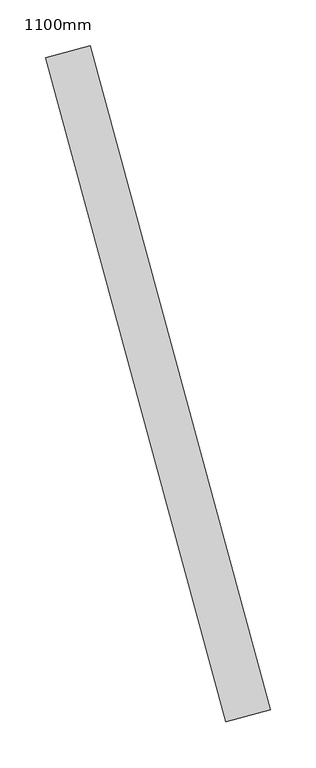
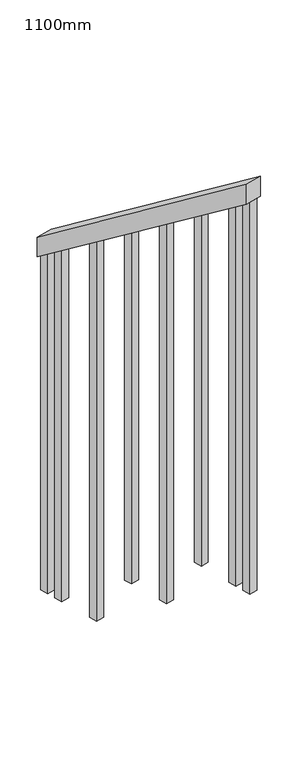
"""IFC4 building model written with IfcOpenShell, lengths in millimetres: railing geometry, 1100mm."""

from ifc_helpers import new_model, si_unit, frame, origin, place, context, project, spatial, polyline, outline, extrude, source, transform, mapped, element, save


def railing_1100mm_70108027(model_context):
    return source(origin(), model_context, "Body", "SweptSolid", [
        extrude(outline(polyline([(35.5555555, -50.0), (0.0, 0.0), (920.2958461, 0.0), (955.8514016, -50.0), (35.5555555, -50.0)])), frame((125689.2263853, 23125.5182498, 1216.4247214), z_axis=(0.9649894123601861, 0.2622888370341805, 0.0), x_axis=(0.21375368431593933, -0.7864232597553618, 0.5795237863600706)), (0.0, 0.0, 1.0), 50.0),
        extrude(outline(polyline([(108.8888889, 0.0), (1271.980277, 0.0), (1271.980277, -25.0), (91.1111112, -25.0), (108.8888889, 0.0)])), frame((125878.333718, 22477.4290069, 1805.3136103), z_axis=(0.9649894123601861, 0.26228883703418043, 0.0), x_axis=(0.0, 0.0, -1.0)), (0.0, 0.0, 1.0), 25.0),
        extrude(outline(polyline([(108.8888889, 0.0), (1183.0913881, 0.0), (1183.0913881, -25.0), (91.1111111, -25.0), (108.8888889, 0.0)])), frame((125845.5476134, 22598.0526835, 1716.4247214), z_axis=(0.9649894123601861, 0.26228883703418043, 0.0), x_axis=(0.0, 0.0, -1.0)), (0.0, 0.0, 1.0), 25.0),
        extrude(outline(polyline([(108.8888889, 0.0), (1271.9802769, 0.0), (1271.9802769, -25.0), (91.1111111, -25.0), (108.8888889, 0.0)])), frame((125812.7615087, 22718.67636, 1627.5358325), z_axis=(0.9649894123601861, 0.26228883703418043, 0.0), x_axis=(0.0, 0.0, -1.0)), (0.0, 0.0, 1.0), 25.0),
        extrude(outline(polyline([(108.8888889, 0.0), (1183.091388, 0.0), (1183.091388, -25.0), (91.1111111, -25.0), (108.8888889, 0.0)])), frame((125779.9754041, 22839.3000366, 1538.6469436), z_axis=(0.9649894123601861, 0.26228883703418043, 0.0), x_axis=(0.0, 0.0, -1.0)), (0.0, 0.0, 1.0), 25.0),
        extrude(outline(polyline([(108.8888889, 0.0), (1271.9802769, 0.0), (1271.9802769, -25.0), (91.1111111, -25.0), (108.8888889, 0.0)])), frame((125747.1892995, 22959.9237131, 1449.7580547), z_axis=(0.9649894123601861, 0.26228883703418043, 0.0), x_axis=(0.0, 0.0, -1.0)), (0.0, 0.0, 1.0), 25.0),
        extrude(outline(polyline([(108.8888889, 0.0), (1183.091388, 0.0), (1183.091388, -25.0), (91.1111111, -25.0), (108.8888889, 0.0)])), frame((125714.4031949, 23080.5473897, 1360.8691658), z_axis=(0.9649894123601861, 0.26228883703418043, 0.0), x_axis=(0.0, 0.0, -1.0)), (0.0, 0.0, 1.0), 25.0),
        extrude(outline(polyline([(108.8888889, 0.0), (1307.5358325, 0.0), (1307.5358325, -25.0), (91.1111111, -25.0), (108.8888889, 0.0)])), frame((125891.4481598, 22429.1795363, 1840.8691658), z_axis=(0.9649894123601861, 0.26228883703418043, 0.0), x_axis=(0.0, 0.0, -1.0)), (0.0, 0.0, 1.0), 25.0),
        extrude(outline(polyline([(108.8888889, 0.0), (1147.5358325, 0.0), (1147.5358325, -25.0), (91.1111112, -25.0), (108.8888889, 0.0)])), frame((125701.288753, 23128.7968603, 1325.3136103), z_axis=(0.9649894123601861, 0.26228883703418043, 0.0), x_axis=(0.0, 0.0, -1.0)), (0.0, 0.0, 1.0), 25.0),
    ])


if __name__ == "__main__":
    model = new_model("IFC4")
    model_context = context("Model", 3, world=origin())
    ifc_project = project(units=[si_unit("LENGTHUNIT", "METRE", prefix="MILLI")], contexts=[model_context])
    site = spatial("IfcSite", under=ifc_project)
    building = spatial("IfcBuilding", under=site)
    placement = place(None, origin())
    railing_1100mm_shape = railing_1100mm_70108027(model_context)
    element("IfcRailing", 1, ObjectType="1100mm", at=placement, inside=building, context=model_context, shape_type="MappedRepresentation", body=[
        mapped(railing_1100mm_shape, transform((0.0, 0.0, 0.0), x_axis=(1.0, 0.0, 0.0), y_axis=(0.0, 1.0, 0.0), z_axis=(0.0, 0.0, 1.0))),
    ])
    save(model, "model.ifc")
